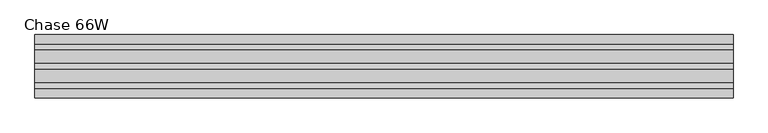
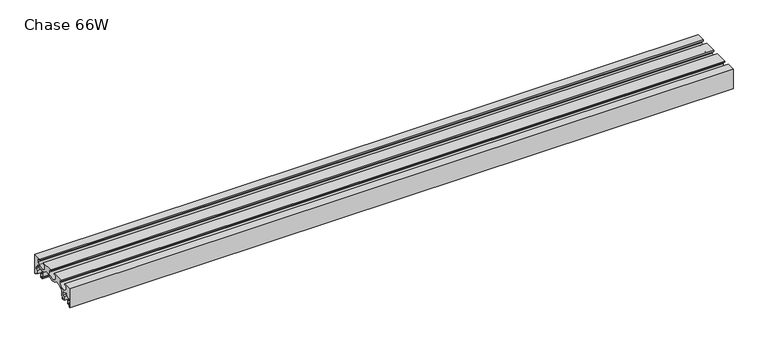
"""IFC4 building model written with IfcOpenShell, lengths in millimetres: furniture geometry, Chase 66W."""

from ifc_helpers import new_model, si_unit, point, frame, frame_2d, origin, place, context, project, spatial, polyline, circle_curve, trimmed, segment, composite_curve, outline, extrude, source, transform, mapped, element, save


def chase_66w_ecf0e083(model_context):
    return source(origin(), model_context, "Body", "SweptSolid", [
        extrude(outline(composite_curve([segment(polyline([(76.2, 625.0939671), (73.1519984, 625.0939671), (73.1519984, 636.0114693), (69.7230016, 636.0114693), (69.7230016, 629.7431746), (66.675, 629.7431746), (66.675, 639.0639719), (73.1519984, 639.0639719), (73.1519984, 646.9289715), (67.1194996, 646.9289715), (62.8014992, 651.5100145), (62.8014992, 654.2731932)]), True, "CONTINUOUS"), segment(trimmed(circle_curve(frame_2d((61.2689815, 654.2731932)), 1.5325176), [point((62.8014992, 654.2731932))], [point((60.443958, 655.5646832))], True, "CARTESIAN"), True, "CONTINUOUS"), segment(trimmed(circle_curve(frame_2d((45.7854705, 678.5110487)), 27.2287889), [point((60.443958, 655.5646832))], [point((47.15276, 651.3166106))], False, "CARTESIAN"), True, "CONTINUOUS"), segment(trimmed(circle_curve(frame_2d((47.2687964, 649.0087274)), 2.3107984), [point((47.15276, 651.3166106))], [point((44.957998, 649.0087274))], True, "CARTESIAN"), True, "CONTINUOUS"), segment(polyline([(44.957998, 649.0087274), (44.957998, 639.0639719), (51.4350009, 639.0639719), (51.4350009, 629.5389719), (43.5365777, 629.5389719), (43.5365777, 632.586969), (48.3869993, 632.586969), (48.3869993, 636.0159748), (41.9100009, 636.0159748), (41.9100009, 649.5453748)]), True, "CONTINUOUS"), segment(trimmed(circle_curve(frame_2d((39.0714407, 649.5453748)), 2.8385603), [point((41.9100009, 649.5453748))], [point((39.705064, 652.3123128))], True, "CARTESIAN"), True, "CONTINUOUS"), segment(trimmed(circle_curve(frame_2d((43.855594, 670.4370539)), 18.5939007), [point((39.705064, 652.3123128))], [point((29.8324836, 658.2269959))], False, "CARTESIAN"), True, "CONTINUOUS"), segment(trimmed(circle_curve(frame_2d((26.7329772, 655.5282257)), 4.1097811), [point((29.8324836, 658.2269959))], [point((26.7329772, 659.6380068))], True, "CARTESIAN"), True, "CONTINUOUS"), segment(polyline([(26.7329772, 659.6380068), (20.668497, 659.6380068)]), True, "CONTINUOUS"), segment(trimmed(circle_curve(frame_2d((20.668497, 653.2880068)), 6.35), [point((20.668497, 659.6380068))], [point((16.3430808, 657.9370147))], True, "CARTESIAN"), True, "CONTINUOUS"), segment(trimmed(circle_curve(frame_2d((0.0, 675.5027493)), 23.9927348), [point((16.3430808, 657.9370147))], [point((-16.3430808, 657.9370147))], False, "CARTESIAN"), True, "CONTINUOUS"), segment(trimmed(circle_curve(frame_2d((-20.668497, 653.2880068)), 6.35), [point((-16.3430808, 657.9370147))], [point((-20.668497, 659.6380068))], True, "CARTESIAN"), True, "CONTINUOUS"), segment(polyline([(-20.668497, 659.6380068), (-26.7329772, 659.6380068)]), True, "CONTINUOUS"), segment(trimmed(circle_curve(frame_2d((-26.7329772, 655.5282257)), 4.1097811), [point((-26.7329772, 659.6380068))], [point((-29.8324836, 658.2269959))], True, "CARTESIAN"), True, "CONTINUOUS"), segment(trimmed(circle_curve(frame_2d((-43.855594, 670.4370539)), 18.5939007), [point((-29.8324836, 658.2269959))], [point((-39.705064, 652.3123128))], False, "CARTESIAN"), True, "CONTINUOUS"), segment(trimmed(circle_curve(frame_2d((-39.0714407, 649.5453748)), 2.8385603), [point((-39.705064, 652.3123128))], [point((-41.9100009, 649.5453748))], True, "CARTESIAN"), True, "CONTINUOUS"), segment(polyline([(-41.9100009, 649.5453748), (-41.9100009, 636.0159748), (-48.3869993, 636.0159748), (-48.3869993, 632.586969), (-43.5365777, 632.586969), (-43.5365777, 629.5389719), (-51.4350009, 629.5389719), (-51.4350009, 639.0639719), (-44.957998, 639.0639719), (-44.957998, 649.0087274)]), True, "CONTINUOUS"), segment(trimmed(circle_curve(frame_2d((-47.2687964, 649.0087274)), 2.3107984), [point((-44.957998, 649.0087274))], [point((-47.15276, 651.3166106))], True, "CARTESIAN"), True, "CONTINUOUS"), segment(trimmed(circle_curve(frame_2d((-45.7854705, 678.5110487)), 27.2287889), [point((-47.15276, 651.3166106))], [point((-60.443958, 655.5646832))], False, "CARTESIAN"), True, "CONTINUOUS"), segment(trimmed(circle_curve(frame_2d((-61.2689815, 654.2731932)), 1.5325176), [point((-60.443958, 655.5646832))], [point((-62.8014992, 654.2731932))], True, "CARTESIAN"), True, "CONTINUOUS"), segment(polyline([(-62.8014992, 654.2731932), (-62.8014992, 651.5100145), (-67.1194996, 646.9289715), (-73.1519984, 646.9289715), (-73.1519984, 639.0639719), (-66.675, 639.0639719), (-66.675, 629.7431746), (-69.7230016, 629.7431746), (-69.7230016, 636.0114693), (-73.1519984, 636.0114693), (-73.1519984, 625.0939671), (-76.2, 625.0939671), (-76.2, 675.8939913), (-54.1019984, 675.8939913), (-54.1019984, 672.8459942), (-60.5790013, 672.8459942), (-60.5790013, 664.9719835)]), True, "CONTINUOUS"), segment(trimmed(circle_curve(frame_2d((-46.4820011, 671.6224146)), 15.5869704), [point((-60.5790013, 664.9719835))], [point((-32.3850009, 664.9719835))], True, "CARTESIAN"), True, "CONTINUOUS"), segment(polyline([(-32.3850009, 664.9719835), (-32.3850009, 672.8459942), (-38.8619993, 672.8459942), (-38.8619993, 675.8939913), (-7.6200001, 675.8939913), (-7.6200001, 672.8459942), (-14.0970002, 672.8459942), (-14.0970002, 664.9719835)]), True, "CONTINUOUS"), segment(trimmed(circle_curve(frame_2d((0.0, 671.6224146)), 15.5869704), [point((-14.0970002, 664.9719835))], [point((14.0970002, 664.9719835))], True, "CARTESIAN"), True, "CONTINUOUS"), segment(polyline([(14.0970002, 664.9719835), (14.0970002, 672.8459942), (7.6200001, 672.8459942), (7.6200001, 675.8939913), (38.8619993, 675.8939913), (38.8619993, 672.8459942), (32.3850009, 672.8459942), (32.3850009, 664.9719835)]), True, "CONTINUOUS"), segment(trimmed(circle_curve(frame_2d((46.4820011, 671.6224146)), 15.5869704), [point((32.3850009, 664.9719835))], [point((60.5790013, 664.9719835))], True, "CARTESIAN"), True, "CONTINUOUS"), segment(polyline([(60.5790013, 664.9719835), (60.5790013, 672.8459942), (54.1019984, 672.8459942), (54.1019984, 675.8939913), (76.2, 675.8939913), (76.2, 625.0939671)]), True, "CONTINUOUS")], self_intersect=False)), frame((0.0, 0.0, 0.0), z_axis=(1.0, 0.0, 0.0), x_axis=(0.0, 1.0, 0.0)), (0.0, 0.0, 1.0), 1676.4),
    ])


if __name__ == "__main__":
    model = new_model("IFC4")
    model_context = context("Model", 3, world=origin())
    ifc_project = project(units=[si_unit("LENGTHUNIT", "METRE", prefix="MILLI")], contexts=[model_context])
    site = spatial("IfcSite", under=ifc_project)
    building = spatial("IfcBuilding", under=site)
    placement = place(None, origin())
    chase_66w_shape = chase_66w_ecf0e083(model_context)
    element("IfcFurniture", 1, ObjectType="Chase 66W", at=placement, inside=building, context=model_context, shape_type="MappedRepresentation", body=[
        mapped(chase_66w_shape, transform((0.0, 0.0, 0.0), x_axis=(1.0, 0.0, 0.0), y_axis=(0.0, 1.0, 0.0), z_axis=(0.0, 0.0, 1.0))),
    ])
    save(model, "model.ifc")
